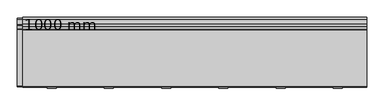
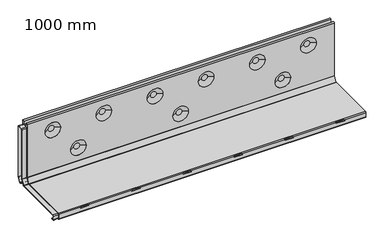
"""IFC4 building model written with IfcOpenShell, lengths in millimetres: proxy geometry, 1000 mm."""

from ifc_helpers import new_model, si_unit, frame, origin, place, context, project, spatial, polyline, circle_curve, outline, extrude, source, transform, mapped, element, save
from ifc_brep_helpers import plane_surface, cylinder_surface, revolved_surface, advanced_brep


def proxy_1000_mm_1e16b91c(model_context):
    return source(origin(), model_context, "Body", "SolidModel", [
        extrude(outline(polyline([(734.75, -77.0), (732.75, -77.0), (732.75, 68.9070718), (734.75, 68.9070718), (734.75, -77.0)])), frame((0.0, 0.0, -29.1940506), z_axis=(0.0, 0.0, 1.0), x_axis=(1.0, 0.0, 0.0)), (0.0, 0.0, 1.0), 10.1940506),
        extrude(outline(polyline([(766.75, -77.0), (764.75, -77.0), (764.75, 68.9070718), (766.75, 68.9070718), (766.75, -77.0)])), frame((0.0, 0.0, -29.1940506), z_axis=(0.0, 0.0, 1.0), x_axis=(1.0, 0.0, 0.0)), (0.0, 0.0, 1.0), 10.1940506),
        extrude(outline(polyline([(763.0, -103.0), (736.5, -103.0), (736.5, -95.5), (763.0, -95.5), (763.0, -103.0)])), frame((0.0, 0.0, -4.0065506), z_axis=(0.0, 0.0, 1.0), x_axis=(1.0, 0.0, 0.0)), (0.0, 0.0, 1.0), 2.1940506),
        extrude(outline(polyline([(568.25, -77.0), (566.25, -77.0), (566.25, 68.9070718), (568.25, 68.9070718), (568.25, -77.0)])), frame((0.0, 0.0, -29.1940506), z_axis=(0.0, 0.0, 1.0), x_axis=(1.0, 0.0, 0.0)), (0.0, 0.0, 1.0), 10.1940506),
        extrude(outline(polyline([(600.25, -77.0), (598.25, -77.0), (598.25, 68.9070718), (600.25, 68.9070718), (600.25, -77.0)])), frame((0.0, 0.0, -29.1940506), z_axis=(0.0, 0.0, 1.0), x_axis=(1.0, 0.0, 0.0)), (0.0, 0.0, 1.0), 10.1940506),
        extrude(outline(polyline([(596.5, -103.0), (570.0, -103.0), (570.0, -95.5), (596.5, -95.5), (596.5, -103.0)])), frame((0.0, 0.0, -4.0065506), z_axis=(0.0, 0.0, 1.0), x_axis=(1.0, 0.0, 0.0)), (0.0, 0.0, 1.0), 2.1940506),
        extrude(outline(polyline([(401.75, -77.0), (399.75, -77.0), (399.75, 68.9070718), (401.75, 68.9070718), (401.75, -77.0)])), frame((0.0, 0.0, -29.1940506), z_axis=(0.0, 0.0, 1.0), x_axis=(1.0, 0.0, 0.0)), (0.0, 0.0, 1.0), 10.1940506),
        extrude(outline(polyline([(433.75, -77.0), (431.75, -77.0), (431.75, 68.9070718), (433.75, 68.9070718), (433.75, -77.0)])), frame((0.0, 0.0, -29.1940506), z_axis=(0.0, 0.0, 1.0), x_axis=(1.0, 0.0, 0.0)), (0.0, 0.0, 1.0), 10.1940506),
        extrude(outline(polyline([(430.0, -103.0), (403.5, -103.0), (403.5, -95.5), (430.0, -95.5), (430.0, -103.0)])), frame((0.0, 0.0, -4.0065506), z_axis=(0.0, 0.0, 1.0), x_axis=(1.0, 0.0, 0.0)), (0.0, 0.0, 1.0), 2.1940506),
        extrude(outline(polyline([(235.25, -77.0), (233.25, -77.0), (233.25, 68.9070718), (235.25, 68.9070718), (235.25, -77.0)])), frame((0.0, 0.0, -29.1940506), z_axis=(0.0, 0.0, 1.0), x_axis=(1.0, 0.0, 0.0)), (0.0, 0.0, 1.0), 10.1940506),
        extrude(outline(polyline([(267.25, -77.0), (265.25, -77.0), (265.25, 68.9070718), (267.25, 68.9070718), (267.25, -77.0)])), frame((0.0, 0.0, -29.1940506), z_axis=(0.0, 0.0, 1.0), x_axis=(1.0, 0.0, 0.0)), (0.0, 0.0, 1.0), 10.1940506),
        extrude(outline(polyline([(263.5, -103.0), (237.0, -103.0), (237.0, -95.5), (263.5, -95.5), (263.5, -103.0)])), frame((0.0, 0.0, -4.0065506), z_axis=(0.0, 0.0, 1.0), x_axis=(1.0, 0.0, 0.0)), (0.0, 0.0, 1.0), 2.1940506),
        extrude(outline(polyline([(901.25, -77.0), (899.25, -77.0), (899.25, 68.9070718), (901.25, 68.9070718), (901.25, -77.0)])), frame((0.0, 0.0, -29.1940506), z_axis=(0.0, 0.0, 1.0), x_axis=(1.0, 0.0, 0.0)), (0.0, 0.0, 1.0), 10.1940506),
        extrude(outline(polyline([(933.25, -77.0), (931.25, -77.0), (931.25, 68.9070718), (933.25, 68.9070718), (933.25, -77.0)])), frame((0.0, 0.0, -29.1940506), z_axis=(0.0, 0.0, 1.0), x_axis=(1.0, 0.0, 0.0)), (0.0, 0.0, 1.0), 10.1940506),
        extrude(outline(polyline([(929.5, -103.0), (903.0, -103.0), (903.0, -95.5), (929.5, -95.5), (929.5, -103.0)])), frame((0.0, 0.0, -4.0065506), z_axis=(0.0, 0.0, 1.0), x_axis=(1.0, 0.0, 0.0)), (0.0, 0.0, 1.0), 2.1940506),
        extrude(outline(polyline([(68.75, -77.0), (66.75, -77.0), (66.75, 68.9070718), (68.75, 68.9070718), (68.75, -77.0)])), frame((0.0, 0.0, -29.1940506), z_axis=(0.0, 0.0, 1.0), x_axis=(1.0, 0.0, 0.0)), (0.0, 0.0, 1.0), 10.1940506),
        extrude(outline(polyline([(100.75, -77.0), (98.75, -77.0), (98.75, 68.9070718), (100.75, 68.9070718), (100.75, -77.0)])), frame((0.0, 0.0, -29.1940506), z_axis=(0.0, 0.0, 1.0), x_axis=(1.0, 0.0, 0.0)), (0.0, 0.0, 1.0), 10.1940506),
        extrude(outline(polyline([(97.0, -103.0), (70.5, -103.0), (70.5, -95.5), (97.0, -95.5), (97.0, -103.0)])), frame((0.0, 0.0, -4.0065506), z_axis=(0.0, 0.0, 1.0), x_axis=(1.0, 0.0, 0.0)), (0.0, 0.0, 1.0), 2.1940506),
        advanced_brep(
        [(0.0, -83.5, -20.5), (0.0, -97.0, -20.5), (0.0, -100.0, -17.5), (0.0, -100.0, -3.0), (0.0, -97.0, 0.0), (0.0, 66.7912991, 0.0), (0.0, 68.0563863, 0.6940506), (0.0, 77.7950872, 15.9807489), (0.0, 78.03, 16.7866983), (0.0, 78.03, 197.745), (0.0, 83.54, 197.745), (0.0, 83.54, 187.2976287), (0.0, 97.565, 187.2976287), (0.0, 97.565, 198.2430156), (0.0, 103.0, 198.2430156), (0.0, 103.0, 12.5524398), (0.0, 102.5301743, 10.940541), (0.0, 92.0563946, -6.5688039), (0.0, 92.0563946, -17.5), (0.0, 89.0563946, -20.5), (0.0, 75.0563946, -20.5), (0.0, 75.0563946, -19.0), (0.0, -83.5, -19.0), (1000.0, -83.5, -20.5), (1000.0, -83.5, -19.0), (1000.0, 75.0563946, -19.0), (1000.0, 75.0563946, -20.5), (1000.0, 89.0563946, -20.5), (1000.0, 92.0563946, -17.5), (1000.0, 92.0563946, -6.5688039), (1000.0, 102.5301743, 10.940541), (1000.0, 103.0, 12.5524398), (1000.0, 103.0, 198.2430156), (1000.0, 97.565, 198.2430156), (1000.0, 97.565, 187.2976287), (1000.0, 83.54, 187.2976287), (1000.0, 83.54, 197.745), (1000.0, 78.03, 197.745), (1000.0, 78.03, 16.7866983), (1000.0, 77.7950872, 15.9807489), (1000.0, 68.0563863, 0.6940506), (1000.0, 66.7912991, 0.0), (1000.0, -97.0, 0.0), (1000.0, -100.0, -3.0), (1000.0, -100.0, -17.5), (1000.0, -97.0, -20.5), (58.3771091, 103.0, 150.4470549), (109.1228909, 103.0, 150.4470549), (890.8771091, 103.0, 150.4470549), (941.6228909, 103.0, 150.4470549), (224.8771091, 103.0, 150.4470549), (275.6228909, 103.0, 150.4470549), (391.3771091, 103.0, 150.4470549), (442.1228909, 103.0, 150.4470549), (557.8771091, 103.0, 150.4470549), (608.6228909, 103.0, 150.4470549), (724.3771091, 103.0, 150.4470549), (775.1228909, 103.0, 150.4470549), (141.675992, 103.0, 60.4470549), (192.324008, 103.0, 60.4470549), (474.675992, 103.0, 60.4470549), (525.324008, 103.0, 60.4470549), (858.324008, 103.0, 60.4470549), (807.675992, 103.0, 60.4470549), (108.9518007, 78.03, 150.4470549), (58.5481993, 78.03, 150.4470549), (941.4518007, 78.03, 150.4470549), (891.0481993, 78.03, 150.4470549), (275.4518007, 78.03, 150.4470549), (225.0481993, 78.03, 150.4470549), (441.9518007, 78.03, 150.4470549), (391.5481993, 78.03, 150.4470549), (608.4518007, 78.03, 150.4470549), (558.0481993, 78.03, 150.4470549), (774.9518007, 78.03, 150.4470549), (724.5481993, 78.03, 150.4470549), (192.2506836, 78.03, 60.4470549), (141.7493164, 78.03, 60.4470549), (525.2506836, 78.03, 60.4470549), (474.7493164, 78.03, 60.4470549), (807.7493164, 78.03, 60.4470549), (858.2506836, 78.03, 60.4470549), (74.1699511, 87.6172432, 150.4470549), (93.3300489, 87.6172432, 150.4470549), (906.6699511, 87.6172432, 150.4470549), (925.8300489, 87.6172432, 150.4470549), (240.6699511, 87.6172432, 150.4470549), (259.8300489, 87.6172432, 150.4470549), (407.1699511, 87.6172432, 150.4470549), (426.3300489, 87.6172432, 150.4470549), (573.6699511, 87.6172432, 150.4470549), (592.8300489, 87.6172432, 150.4470549), (740.1699511, 87.6172432, 150.4470549), (759.3300489, 87.6172432, 150.4470549), (74.1699511, 93.3077568, 150.4470549), (93.3300489, 93.3077568, 150.4470549), (906.6699511, 93.3077568, 150.4470549), (925.8300489, 93.3077568, 150.4470549), (240.6699511, 93.3077568, 150.4470549), (259.8300489, 93.3077568, 150.4470549), (407.1699511, 93.3077568, 150.4470549), (426.3300489, 93.3077568, 150.4470549), (573.6699511, 93.3077568, 150.4470549), (592.8300489, 93.3077568, 150.4470549), (740.1699511, 93.3077568, 150.4470549), (759.3300489, 93.3077568, 150.4470549), (157.4199511, 87.6472432, 60.4470549), (176.5800489, 87.6472432, 60.4470549), (157.4199511, 93.3377568, 60.4470549), (176.5800489, 93.3377568, 60.4470549), (490.4199511, 87.6472432, 60.4470549), (509.5800489, 87.6472432, 60.4470549), (490.4199511, 93.3377568, 60.4470549), (509.5800489, 93.3377568, 60.4470549), (823.4199511, 87.6472432, 60.4470549), (842.5800489, 87.6472432, 60.4470549), (823.4199511, 93.3377568, 60.4470549), (842.5800489, 93.3377568, 60.4470549)],
        [
            (0, 1),
            (1, 2, circle_curve(frame((0.0, -97.0, -17.5), z_axis=(-1.0, 0.0, 0.0), x_axis=(0.0, 1.0, 0.0)), 3.0)),
            (2, 3),
            (3, 4, circle_curve(frame((0.0, -97.0, -3.0), z_axis=(-1.0, 0.0, 0.0), x_axis=(0.0, 1.0, 0.0)), 3.0)),
            (4, 5),
            (5, 6, circle_curve(frame((0.0, 66.7912991, 1.5), z_axis=(1.0, 0.0, 0.0), x_axis=(0.0, 1.0, 0.0)), 1.5)),
            (6, 7),
            (7, 8, circle_curve(frame((0.0, 76.53, 16.7866983), z_axis=(1.0, 0.0, 0.0), x_axis=(0.0, 1.0, 0.0)), 1.5)),
            (8, 9),
            (9, 10, circle_curve(frame((0.0, 80.785, 197.745), z_axis=(-1.0, 0.0, 0.0), x_axis=(0.0, 1.0, 0.0)), 2.755)),
            (10, 11),
            (11, 12),
            (12, 13),
            (13, 14, circle_curve(frame((0.0, 100.2825, 198.2430156), z_axis=(-1.0, 0.0, 0.0), x_axis=(0.0, 1.0, 0.0)), 2.7175)),
            (14, 15),
            (15, 16, circle_curve(frame((0.0, 100.0, 12.5524398), z_axis=(-1.0, 0.0, 0.0), x_axis=(0.0, 1.0, 0.0)), 3.0)),
            (16, 17),
            (17, 18),
            (18, 19, circle_curve(frame((0.0, 89.0563946, -17.5), z_axis=(-1.0, 0.0, 0.0), x_axis=(0.0, 1.0, 0.0)), 3.0)),
            (19, 20),
            (20, 21),
            (21, 22),
            (22, 0),
            (23, 24),
            (24, 25),
            (25, 26),
            (26, 27),
            (27, 28, circle_curve(frame((1000.0, 89.0563946, -17.5), z_axis=(1.0, 0.0, 0.0), x_axis=(0.0, 1.0, 0.0)), 3.0)),
            (28, 29),
            (29, 30),
            (30, 31, circle_curve(frame((1000.0, 100.0, 12.5524398), z_axis=(1.0, 0.0, 0.0), x_axis=(0.0, 1.0, 0.0)), 3.0)),
            (31, 32),
            (32, 33, circle_curve(frame((1000.0, 100.2825, 198.2430156), z_axis=(1.0, 0.0, 0.0), x_axis=(0.0, 1.0, 0.0)), 2.7175)),
            (33, 34),
            (34, 35),
            (35, 36),
            (36, 37, circle_curve(frame((1000.0, 80.785, 197.745), z_axis=(1.0, 0.0, 0.0), x_axis=(0.0, 1.0, 0.0)), 2.755)),
            (37, 38),
            (38, 39, circle_curve(frame((1000.0, 76.53, 16.7866983), z_axis=(-1.0, 0.0, 0.0), x_axis=(0.0, 1.0, 0.0)), 1.5)),
            (39, 40),
            (40, 41, circle_curve(frame((1000.0, 66.7912991, 1.5), z_axis=(-1.0, 0.0, 0.0), x_axis=(0.0, 1.0, 0.0)), 1.5)),
            (41, 42),
            (42, 43, circle_curve(frame((1000.0, -97.0, -3.0), z_axis=(1.0, 0.0, 0.0), x_axis=(0.0, 1.0, 0.0)), 3.0)),
            (43, 44),
            (44, 45, circle_curve(frame((1000.0, -97.0, -17.5), z_axis=(1.0, 0.0, 0.0), x_axis=(0.0, 1.0, 0.0)), 3.0)),
            (45, 23),
            (20, 26),
            (25, 21),
            (19, 27),
            (18, 28),
            (17, 29),
            (16, 30),
            (15, 31),
            (14, 32),
            (46, 47, circle_curve(frame((83.75, 103.0, 150.4470549), z_axis=(0.0, -1.0, 0.0), x_axis=(1.0, 0.0, 0.0)), 25.3728909)),
            (47, 46, circle_curve(frame((83.75, 103.0, 150.4470549), z_axis=(0.0, -1.0, 0.0), x_axis=(-1.0, 0.0, 0.0)), 25.3728909)),
            (48, 49, circle_curve(frame((916.25, 103.0, 150.4470549), z_axis=(0.0, -1.0, 0.0), x_axis=(1.0, 0.0, 0.0)), 25.3728909)),
            (49, 48, circle_curve(frame((916.25, 103.0, 150.4470549), z_axis=(0.0, -1.0, 0.0), x_axis=(-1.0, 0.0, 0.0)), 25.3728909)),
            (50, 51, circle_curve(frame((250.25, 103.0, 150.4470549), z_axis=(0.0, -1.0, 0.0), x_axis=(1.0, 0.0, 0.0)), 25.3728909)),
            (51, 50, circle_curve(frame((250.25, 103.0, 150.4470549), z_axis=(0.0, -1.0, 0.0), x_axis=(-1.0, 0.0, 0.0)), 25.3728909)),
            (52, 53, circle_curve(frame((416.75, 103.0, 150.4470549), z_axis=(0.0, -1.0, 0.0), x_axis=(1.0, 0.0, 0.0)), 25.3728909)),
            (53, 52, circle_curve(frame((416.75, 103.0, 150.4470549), z_axis=(0.0, -1.0, 0.0), x_axis=(-1.0, 0.0, 0.0)), 25.3728909)),
            (54, 55, circle_curve(frame((583.25, 103.0, 150.4470549), z_axis=(0.0, -1.0, 0.0), x_axis=(1.0, 0.0, 0.0)), 25.3728909)),
            (55, 54, circle_curve(frame((583.25, 103.0, 150.4470549), z_axis=(0.0, -1.0, 0.0), x_axis=(-1.0, 0.0, 0.0)), 25.3728909)),
            (56, 57, circle_curve(frame((749.75, 103.0, 150.4470549), z_axis=(0.0, -1.0, 0.0), x_axis=(1.0, 0.0, 0.0)), 25.3728909)),
            (57, 56, circle_curve(frame((749.75, 103.0, 150.4470549), z_axis=(0.0, -1.0, 0.0), x_axis=(-1.0, 0.0, 0.0)), 25.3728909)),
            (58, 59, circle_curve(frame((167.0, 103.0, 60.4470549), z_axis=(0.0, -1.0, 0.0), x_axis=(1.0, 0.0, 0.0)), 25.324008)),
            (59, 58, circle_curve(frame((167.0, 103.0, 60.4470549), z_axis=(0.0, -1.0, 0.0), x_axis=(-1.0, 0.0, 0.0)), 25.324008)),
            (60, 61, circle_curve(frame((500.0, 103.0, 60.4470549), z_axis=(0.0, -1.0, 0.0), x_axis=(1.0, 0.0, 0.0)), 25.324008)),
            (61, 60, circle_curve(frame((500.0, 103.0, 60.4470549), z_axis=(0.0, -1.0, 0.0), x_axis=(-1.0, 0.0, 0.0)), 25.324008)),
            (62, 63, circle_curve(frame((833.0, 103.0, 60.4470549), z_axis=(0.0, -1.0, 0.0), x_axis=(-1.0, 0.0, 0.0)), 25.324008)),
            (63, 62, circle_curve(frame((833.0, 103.0, 60.4470549), z_axis=(0.0, -1.0, 0.0), x_axis=(1.0, 0.0, 0.0)), 25.324008)),
            (13, 33),
            (12, 34),
            (11, 35),
            (8, 38),
            (37, 9),
            (64, 65, circle_curve(frame((83.75, 78.03, 150.4470549), z_axis=(0.0, 1.0, 0.0), x_axis=(-1.0, 0.0, 0.0)), 25.2018007)),
            (65, 64, circle_curve(frame((83.75, 78.03, 150.4470549), z_axis=(0.0, 1.0, 0.0), x_axis=(1.0, 0.0, 0.0)), 25.2018007)),
            (66, 67, circle_curve(frame((916.25, 78.03, 150.4470549), z_axis=(0.0, 1.0, 0.0), x_axis=(-1.0, 0.0, 0.0)), 25.2018007)),
            (67, 66, circle_curve(frame((916.25, 78.03, 150.4470549), z_axis=(0.0, 1.0, 0.0), x_axis=(1.0, 0.0, 0.0)), 25.2018007)),
            (68, 69, circle_curve(frame((250.25, 78.03, 150.4470549), z_axis=(0.0, 1.0, 0.0), x_axis=(-1.0, 0.0, 0.0)), 25.2018007)),
            (69, 68, circle_curve(frame((250.25, 78.03, 150.4470549), z_axis=(0.0, 1.0, 0.0), x_axis=(1.0, 0.0, 0.0)), 25.2018007)),
            (70, 71, circle_curve(frame((416.75, 78.03, 150.4470549), z_axis=(0.0, 1.0, 0.0), x_axis=(-1.0, 0.0, 0.0)), 25.2018007)),
            (71, 70, circle_curve(frame((416.75, 78.03, 150.4470549), z_axis=(0.0, 1.0, 0.0), x_axis=(1.0, 0.0, 0.0)), 25.2018007)),
            (72, 73, circle_curve(frame((583.25, 78.03, 150.4470549), z_axis=(0.0, 1.0, 0.0), x_axis=(-1.0, 0.0, 0.0)), 25.2018007)),
            (73, 72, circle_curve(frame((583.25, 78.03, 150.4470549), z_axis=(0.0, 1.0, 0.0), x_axis=(1.0, 0.0, 0.0)), 25.2018007)),
            (74, 75, circle_curve(frame((749.75, 78.03, 150.4470549), z_axis=(0.0, 1.0, 0.0), x_axis=(-1.0, 0.0, 0.0)), 25.2018007)),
            (75, 74, circle_curve(frame((749.75, 78.03, 150.4470549), z_axis=(0.0, 1.0, 0.0), x_axis=(1.0, 0.0, 0.0)), 25.2018007)),
            (76, 77, circle_curve(frame((167.0, 78.03, 60.4470549), z_axis=(0.0, 1.0, 0.0), x_axis=(-1.0, 0.0, 0.0)), 25.2506836)),
            (77, 76, circle_curve(frame((167.0, 78.03, 60.4470549), z_axis=(0.0, 1.0, 0.0), x_axis=(1.0, 0.0, 0.0)), 25.2506836)),
            (78, 79, circle_curve(frame((500.0, 78.03, 60.4470549), z_axis=(0.0, 1.0, 0.0), x_axis=(-1.0, 0.0, 0.0)), 25.2506836)),
            (79, 78, circle_curve(frame((500.0, 78.03, 60.4470549), z_axis=(0.0, 1.0, 0.0), x_axis=(1.0, 0.0, 0.0)), 25.2506836)),
            (80, 81, circle_curve(frame((833.0, 78.03, 60.4470549), z_axis=(0.0, 1.0, 0.0), x_axis=(1.0, 0.0, 0.0)), 25.2506836)),
            (81, 80, circle_curve(frame((833.0, 78.03, 60.4470549), z_axis=(0.0, 1.0, 0.0), x_axis=(-1.0, 0.0, 0.0)), 25.2506836)),
            (7, 39),
            (6, 40),
            (5, 41),
            (4, 42),
            (3, 43),
            (2, 44),
            (1, 45),
            (0, 23),
            (22, 24),
            (82, 83, circle_curve(frame((83.75, 87.6172432, 150.4470549), z_axis=(0.0, -1.0, 0.0), x_axis=(-1.0, 0.0, 0.0)), 9.5800489)),
            (83, 82, circle_curve(frame((83.75, 87.6172432, 150.4470549), z_axis=(0.0, -1.0, 0.0), x_axis=(1.0, 0.0, 0.0)), 9.5800489)),
            (82, 65),
            (64, 83),
            (84, 85, circle_curve(frame((916.25, 87.6172432, 150.4470549), z_axis=(0.0, -1.0, 0.0), x_axis=(-1.0, 0.0, 0.0)), 9.5800489)),
            (85, 84, circle_curve(frame((916.25, 87.6172432, 150.4470549), z_axis=(0.0, -1.0, 0.0), x_axis=(1.0, 0.0, 0.0)), 9.5800489)),
            (84, 67),
            (66, 85),
            (86, 87, circle_curve(frame((250.25, 87.6172432, 150.4470549), z_axis=(0.0, -1.0, 0.0), x_axis=(-1.0, 0.0, 0.0)), 9.5800489)),
            (87, 86, circle_curve(frame((250.25, 87.6172432, 150.4470549), z_axis=(0.0, -1.0, 0.0), x_axis=(1.0, 0.0, 0.0)), 9.5800489)),
            (86, 69),
            (68, 87),
            (88, 89, circle_curve(frame((416.75, 87.6172432, 150.4470549), z_axis=(0.0, -1.0, 0.0), x_axis=(-1.0, 0.0, 0.0)), 9.5800489)),
            (89, 88, circle_curve(frame((416.75, 87.6172432, 150.4470549), z_axis=(0.0, -1.0, 0.0), x_axis=(1.0, 0.0, 0.0)), 9.5800489)),
            (88, 71),
            (70, 89),
            (90, 91, circle_curve(frame((583.25, 87.6172432, 150.4470549), z_axis=(0.0, -1.0, 0.0), x_axis=(-1.0, 0.0, 0.0)), 9.5800489)),
            (91, 90, circle_curve(frame((583.25, 87.6172432, 150.4470549), z_axis=(0.0, -1.0, 0.0), x_axis=(1.0, 0.0, 0.0)), 9.5800489)),
            (90, 73),
            (72, 91),
            (92, 93, circle_curve(frame((749.75, 87.6172432, 150.4470549), z_axis=(0.0, -1.0, 0.0), x_axis=(-1.0, 0.0, 0.0)), 9.5800489)),
            (93, 92, circle_curve(frame((749.75, 87.6172432, 150.4470549), z_axis=(0.0, -1.0, 0.0), x_axis=(1.0, 0.0, 0.0)), 9.5800489)),
            (92, 75),
            (74, 93),
            (94, 95, circle_curve(frame((83.75, 93.3077568, 150.4470549), z_axis=(0.0, 1.0, 0.0), x_axis=(-1.0, 0.0, 0.0)), 9.5800489)),
            (95, 94, circle_curve(frame((83.75, 93.3077568, 150.4470549), z_axis=(0.0, 1.0, 0.0), x_axis=(1.0, 0.0, 0.0)), 9.5800489)),
            (95, 47),
            (46, 94),
            (96, 97, circle_curve(frame((916.25, 93.3077568, 150.4470549), z_axis=(0.0, 1.0, 0.0), x_axis=(-1.0, 0.0, 0.0)), 9.5800489)),
            (97, 96, circle_curve(frame((916.25, 93.3077568, 150.4470549), z_axis=(0.0, 1.0, 0.0), x_axis=(1.0, 0.0, 0.0)), 9.5800489)),
            (97, 49),
            (48, 96),
            (98, 99, circle_curve(frame((250.25, 93.3077568, 150.4470549), z_axis=(0.0, 1.0, 0.0), x_axis=(-1.0, 0.0, 0.0)), 9.5800489)),
            (99, 98, circle_curve(frame((250.25, 93.3077568, 150.4470549), z_axis=(0.0, 1.0, 0.0), x_axis=(1.0, 0.0, 0.0)), 9.5800489)),
            (99, 51),
            (50, 98),
            (100, 101, circle_curve(frame((416.75, 93.3077568, 150.4470549), z_axis=(0.0, 1.0, 0.0), x_axis=(-1.0, 0.0, 0.0)), 9.5800489)),
            (101, 100, circle_curve(frame((416.75, 93.3077568, 150.4470549), z_axis=(0.0, 1.0, 0.0), x_axis=(1.0, 0.0, 0.0)), 9.5800489)),
            (101, 53),
            (52, 100),
            (102, 103, circle_curve(frame((583.25, 93.3077568, 150.4470549), z_axis=(0.0, 1.0, 0.0), x_axis=(-1.0, 0.0, 0.0)), 9.5800489)),
            (103, 102, circle_curve(frame((583.25, 93.3077568, 150.4470549), z_axis=(0.0, 1.0, 0.0), x_axis=(1.0, 0.0, 0.0)), 9.5800489)),
            (103, 55),
            (54, 102),
            (104, 105, circle_curve(frame((749.75, 93.3077568, 150.4470549), z_axis=(0.0, 1.0, 0.0), x_axis=(-1.0, 0.0, 0.0)), 9.5800489)),
            (105, 104, circle_curve(frame((749.75, 93.3077568, 150.4470549), z_axis=(0.0, 1.0, 0.0), x_axis=(1.0, 0.0, 0.0)), 9.5800489)),
            (105, 57),
            (56, 104),
            (10, 36),
            (106, 107, circle_curve(frame((167.0, 87.6472432, 60.4470549), z_axis=(0.0, -1.0, 0.0), x_axis=(-1.0, 0.0, 0.0)), 9.5800489)),
            (107, 106, circle_curve(frame((167.0, 87.6472432, 60.4470549), z_axis=(0.0, -1.0, 0.0), x_axis=(1.0, 0.0, 0.0)), 9.5800489)),
            (106, 77),
            (76, 107),
            (108, 109, circle_curve(frame((167.0, 93.3377568, 60.4470549), z_axis=(0.0, 1.0, 0.0), x_axis=(-1.0, 0.0, 0.0)), 9.5800489)),
            (109, 108, circle_curve(frame((167.0, 93.3377568, 60.4470549), z_axis=(0.0, 1.0, 0.0), x_axis=(1.0, 0.0, 0.0)), 9.5800489)),
            (109, 59),
            (58, 108),
            (110, 111, circle_curve(frame((500.0, 87.6472432, 60.4470549), z_axis=(0.0, -1.0, 0.0), x_axis=(-1.0, 0.0, 0.0)), 9.5800489)),
            (111, 110, circle_curve(frame((500.0, 87.6472432, 60.4470549), z_axis=(0.0, -1.0, 0.0), x_axis=(1.0, 0.0, 0.0)), 9.5800489)),
            (110, 79),
            (78, 111),
            (112, 113, circle_curve(frame((500.0, 93.3377568, 60.4470549), z_axis=(0.0, 1.0, 0.0), x_axis=(-1.0, 0.0, 0.0)), 9.5800489)),
            (113, 112, circle_curve(frame((500.0, 93.3377568, 60.4470549), z_axis=(0.0, 1.0, 0.0), x_axis=(1.0, 0.0, 0.0)), 9.5800489)),
            (113, 61),
            (60, 112),
            (114, 115, circle_curve(frame((833.0, 87.6472432, 60.4470549), z_axis=(0.0, -1.0, 0.0), x_axis=(-1.0, 0.0, 0.0)), 9.5800489)),
            (115, 114, circle_curve(frame((833.0, 87.6472432, 60.4470549), z_axis=(0.0, -1.0, 0.0), x_axis=(1.0, 0.0, 0.0)), 9.5800489)),
            (115, 81),
            (80, 114),
            (116, 117, circle_curve(frame((833.0, 93.3377568, 60.4470549), z_axis=(0.0, 1.0, 0.0), x_axis=(-1.0, 0.0, 0.0)), 9.5800489)),
            (117, 116, circle_curve(frame((833.0, 93.3377568, 60.4470549), z_axis=(0.0, 1.0, 0.0), x_axis=(1.0, 0.0, 0.0)), 9.5800489)),
            (116, 63),
            (62, 117),
        ],
        [
            plane_surface(frame((0.0, -83.5, -20.5), z_axis=(-1.0, 0.0, 0.0), x_axis=(0.0, 0.0, -1.0))),
            plane_surface(frame((1000.0, -83.5, -20.5), z_axis=(1.0, 0.0, 0.0), x_axis=(0.0, 0.0, 1.0))),
            plane_surface(frame((1000.0, 75.0563946, -19.0), z_axis=(0.0, -1.0, 0.0), x_axis=(-1.0, 0.0, 0.0))),
            plane_surface(frame((1000.0, 75.0563946, -20.5), z_axis=(0.0, 0.0, -1.0), x_axis=(-1.0, 0.0, 0.0))),
            cylinder_surface(frame((0.0, 89.0563946, -17.5), z_axis=(1.0, 0.0, 0.0), x_axis=(0.0, 1.0, 0.0)), 3.0),
            plane_surface(frame((1000.0, 92.0563946, -17.5), z_axis=(0.0, 1.0, 0.0), x_axis=(-1.0, 0.0, 0.0))),
            plane_surface(frame((1000.0, 92.0563946, -6.5688039), z_axis=(0.0, 0.8581803656791377, -0.5133482832958746), x_axis=(-1.0, 0.0, 0.0))),
            cylinder_surface(frame((0.0, 100.0, 12.5524398), z_axis=(1.0, 0.0, 0.0), x_axis=(0.0, 1.0, 0.0)), 3.0),
            plane_surface(frame((1000.0, 103.0, 12.5524398), z_axis=(0.0, 1.0, 0.0), x_axis=(-1.0, 0.0, 0.0))),
            cylinder_surface(frame((0.0, 100.2825, 198.2430156), z_axis=(1.0, 0.0, 0.0), x_axis=(0.0, 1.0, 0.0)), 2.7175),
            plane_surface(frame((1000.0, 97.565, 198.2430156), z_axis=(0.0, -1.0, 0.0), x_axis=(-1.0, 0.0, 0.0))),
            plane_surface(frame((1000.0, 97.565, 187.2976287), z_axis=(0.0, 0.0, 1.0), x_axis=(-1.0, 0.0, 0.0))),
            plane_surface(frame((1000.0, 78.03, 197.745), z_axis=(0.0, -1.0, 0.0), x_axis=(-1.0, 0.0, 0.0))),
            revolved_surface(polyline([(0.0, 78.03, 16.7866983), (1000.0, 78.03, 16.7866983)]), (0.0, 76.53, 16.7866983), (-1.0, 0.0, 0.0)),
            plane_surface(frame((1000.0, 77.7950872, 15.9807489), z_axis=(0.0, -0.8433914458128857, 0.5372996083468239), x_axis=(-1.0, 0.0, 0.0))),
            revolved_surface(polyline([(0.0, 68.2912991, 1.5), (1000.0, 68.2912991, 1.5)]), (0.0, 66.7912991, 1.5), (-1.0, 0.0, 0.0)),
            plane_surface(frame((1000.0, 66.7912991, 0.0), z_axis=(0.0, 0.0, 1.0), x_axis=(-1.0, 0.0, 0.0))),
            cylinder_surface(frame((0.0, -97.0, -3.0), z_axis=(1.0, 0.0, 0.0), x_axis=(0.0, 1.0, 0.0)), 3.0),
            plane_surface(frame((1000.0, -100.0, -3.0), z_axis=(0.0, -1.0, 0.0), x_axis=(-1.0, 0.0, 0.0))),
            cylinder_surface(frame((0.0, -97.0, -17.5), z_axis=(1.0, 0.0, 0.0), x_axis=(0.0, 1.0, 0.0)), 3.0),
            plane_surface(frame((1000.0, -97.0, -20.5), z_axis=(0.0, 0.0, -1.0), x_axis=(-1.0, 0.0, 0.0))),
            plane_surface(frame((1000.0, -83.5, -20.5), z_axis=(0.0, 1.0, 0.0), x_axis=(-1.0, 0.0, 0.0))),
            plane_surface(frame((1000.0, -83.5, -19.0), z_axis=(0.0, 0.0, -1.0), x_axis=(-1.0, 0.0, 0.0))),
            plane_surface(frame((83.75, 87.6172432, 150.4470549), z_axis=(0.0, -1.0, 0.0), x_axis=(0.0, 0.0, -1.0))),
            revolved_surface(polyline([(58.5481993, 78.03, 150.4470549), (74.16995108922865, 87.6172432, 150.4470549)]), (83.75, 93.496626, 150.4470549), (0.0, -1.0, 0.0)),
            revolved_surface(polyline([(108.9518007, 78.03, 150.4470549), (93.33004891077135, 87.6172432, 150.4470549)]), (83.75, 93.496626, 150.4470549), (0.0, -1.0, 0.0)),
            plane_surface(frame((916.25, 87.6172432, 150.4470549), z_axis=(0.0, -1.0, 0.0), x_axis=(0.0, 0.0, -1.0))),
            revolved_surface(polyline([(891.0481993, 78.03, 150.4470549), (906.6699510892287, 87.6172432, 150.4470549)]), (916.25, 93.496626, 150.4470549), (0.0, -1.0, 0.0)),
            revolved_surface(polyline([(941.4518007, 78.03, 150.4470549), (925.8300489107713, 87.6172432, 150.4470549)]), (916.25, 93.496626, 150.4470549), (0.0, -1.0, 0.0)),
            plane_surface(frame((250.25, 87.6172432, 150.4470549), z_axis=(0.0, -1.0, 0.0), x_axis=(0.0, 0.0, -1.0))),
            revolved_surface(polyline([(225.0481993, 78.03, 150.4470549), (240.66995108922865, 87.6172432, 150.4470549)]), (250.25, 93.496626, 150.4470549), (0.0, -1.0, 0.0)),
            revolved_surface(polyline([(275.4518007, 78.03, 150.4470549), (259.8300489107713, 87.6172432, 150.4470549)]), (250.25, 93.496626, 150.4470549), (0.0, -1.0, 0.0)),
            plane_surface(frame((416.75, 87.6172432, 150.4470549), z_axis=(0.0, -1.0, 0.0), x_axis=(0.0, 0.0, -1.0))),
            revolved_surface(polyline([(391.5481993, 78.03, 150.4470549), (407.1699510892287, 87.6172432, 150.4470549)]), (416.75, 93.496626, 150.4470549), (0.0, -1.0, 0.0)),
            revolved_surface(polyline([(441.9518007, 78.03, 150.4470549), (426.3300489107713, 87.6172432, 150.4470549)]), (416.75, 93.496626, 150.4470549), (0.0, -1.0, 0.0)),
            plane_surface(frame((583.25, 87.6172432, 150.4470549), z_axis=(0.0, -1.0, 0.0), x_axis=(0.0, 0.0, -1.0))),
            revolved_surface(polyline([(558.0481993, 78.03, 150.4470549), (573.6699510892287, 87.6172432, 150.4470549)]), (583.25, 93.496626, 150.4470549), (0.0, -1.0, 0.0)),
            revolved_surface(polyline([(608.4518007, 78.03, 150.4470549), (592.8300489107713, 87.6172432, 150.4470549)]), (583.25, 93.496626, 150.4470549), (0.0, -1.0, 0.0)),
            plane_surface(frame((749.75, 87.6172432, 150.4470549), z_axis=(0.0, -1.0, 0.0), x_axis=(0.0, 0.0, -1.0))),
            revolved_surface(polyline([(724.5481993, 78.03, 150.4470549), (740.1699510892287, 87.6172432, 150.4470549)]), (749.75, 93.496626, 150.4470549), (0.0, -1.0, 0.0)),
            revolved_surface(polyline([(774.9518007, 78.03, 150.4470549), (759.3300489107713, 87.6172432, 150.4470549)]), (749.75, 93.496626, 150.4470549), (0.0, -1.0, 0.0)),
            plane_surface(frame((83.75, 93.3077568, 150.4470549), z_axis=(0.0, 1.0, 0.0), x_axis=(0.0, 0.0, 1.0))),
            revolved_surface(polyline([(109.1228909, 103.0, 150.4470549), (93.330048887877, 93.3077568, 150.4470549)]), (83.75, 87.428374, 150.4470549), (0.0, 1.0, 0.0)),
            revolved_surface(polyline([(58.3771091, 103.0, 150.4470549), (74.169951112123, 93.3077568, 150.4470549)]), (83.75, 87.428374, 150.4470549), (0.0, 1.0, 0.0)),
            plane_surface(frame((916.25, 93.3077568, 150.4470549), z_axis=(0.0, 1.0, 0.0), x_axis=(0.0, 0.0, 1.0))),
            revolved_surface(polyline([(941.6228909, 103.0, 150.4470549), (925.830048887877, 93.3077568, 150.4470549)]), (916.25, 87.428374, 150.4470549), (0.0, 1.0, 0.0)),
            revolved_surface(polyline([(890.8771091, 103.0, 150.4470549), (906.669951112123, 93.3077568, 150.4470549)]), (916.25, 87.428374, 150.4470549), (0.0, 1.0, 0.0)),
            plane_surface(frame((250.25, 93.3077568, 150.4470549), z_axis=(0.0, 1.0, 0.0), x_axis=(0.0, 0.0, 1.0))),
            revolved_surface(polyline([(275.6228909, 103.0, 150.4470549), (259.830048887877, 93.3077568, 150.4470549)]), (250.25, 87.428374, 150.4470549), (0.0, 1.0, 0.0)),
            revolved_surface(polyline([(224.8771091, 103.0, 150.4470549), (240.669951112123, 93.3077568, 150.4470549)]), (250.25, 87.428374, 150.4470549), (0.0, 1.0, 0.0)),
            plane_surface(frame((416.75, 93.3077568, 150.4470549), z_axis=(0.0, 1.0, 0.0), x_axis=(0.0, 0.0, 1.0))),
            revolved_surface(polyline([(442.1228909, 103.0, 150.4470549), (426.330048887877, 93.3077568, 150.4470549)]), (416.75, 87.428374, 150.4470549), (0.0, 1.0, 0.0)),
            revolved_surface(polyline([(391.3771091, 103.0, 150.4470549), (407.169951112123, 93.3077568, 150.4470549)]), (416.75, 87.428374, 150.4470549), (0.0, 1.0, 0.0)),
            plane_surface(frame((583.25, 93.3077568, 150.4470549), z_axis=(0.0, 1.0, 0.0), x_axis=(0.0, 0.0, 1.0))),
            revolved_surface(polyline([(608.6228909, 103.0, 150.4470549), (592.830048887877, 93.3077568, 150.4470549)]), (583.25, 87.428374, 150.4470549), (0.0, 1.0, 0.0)),
            revolved_surface(polyline([(557.8771091, 103.0, 150.4470549), (573.669951112123, 93.3077568, 150.4470549)]), (583.25, 87.428374, 150.4470549), (0.0, 1.0, 0.0)),
            plane_surface(frame((749.75, 93.3077568, 150.4470549), z_axis=(0.0, 1.0, 0.0), x_axis=(0.0, 0.0, 1.0))),
            revolved_surface(polyline([(775.1228909, 103.0, 150.4470549), (759.330048887877, 93.3077568, 150.4470549)]), (749.75, 87.428374, 150.4470549), (0.0, 1.0, 0.0)),
            revolved_surface(polyline([(724.3771091, 103.0, 150.4470549), (740.169951112123, 93.3077568, 150.4470549)]), (749.75, 87.428374, 150.4470549), (0.0, 1.0, 0.0)),
            plane_surface(frame((1000.0, 83.54, 187.2976287), z_axis=(0.0, 1.0, 0.0), x_axis=(-1.0, 0.0, 0.0))),
            cylinder_surface(frame((0.0, 80.785, 197.745), z_axis=(1.0, 0.0, 0.0), x_axis=(0.0, 1.0, 0.0)), 2.755),
            plane_surface(frame((167.0, 87.6472432, 60.4470549), z_axis=(0.0, -1.0, 0.0), x_axis=(0.0, 0.0, -1.0))),
            revolved_surface(polyline([(141.7493164, 78.03, 60.4470549), (157.41995110122153, 87.6472432, 60.4470549)]), (167.0, 93.526626, 60.4470549), (0.0, -1.0, 0.0)),
            revolved_surface(polyline([(192.2506836, 78.03, 60.4470549), (176.58004889877847, 87.6472432, 60.4470549)]), (167.0, 93.526626, 60.4470549), (0.0, -1.0, 0.0)),
            plane_surface(frame((167.0, 93.3377568, 60.4470549), z_axis=(0.0, 1.0, 0.0), x_axis=(0.0, 0.0, 1.0))),
            revolved_surface(polyline([(192.324008, 103.0, 60.4470549), (176.58004889979094, 93.3377568, 60.4470549)]), (167.0, 87.458374, 60.4470549), (0.0, 1.0, 0.0)),
            revolved_surface(polyline([(141.675992, 103.0, 60.4470549), (157.41995110020906, 93.3377568, 60.4470549)]), (167.0, 87.458374, 60.4470549), (0.0, 1.0, 0.0)),
            plane_surface(frame((500.0, 87.6472432, 60.4470549), z_axis=(0.0, -1.0, 0.0), x_axis=(0.0, 0.0, -1.0))),
            revolved_surface(polyline([(474.7493164, 78.03, 60.4470549), (490.4199511012215, 87.6472432, 60.4470549)]), (500.0, 93.526626, 60.4470549), (0.0, -1.0, 0.0)),
            revolved_surface(polyline([(525.2506836, 78.03, 60.4470549), (509.5800488987785, 87.6472432, 60.4470549)]), (500.0, 93.526626, 60.4470549), (0.0, -1.0, 0.0)),
            plane_surface(frame((500.0, 93.3377568, 60.4470549), z_axis=(0.0, 1.0, 0.0), x_axis=(0.0, 0.0, 1.0))),
            revolved_surface(polyline([(525.324008, 103.0, 60.4470549), (509.58004889979094, 93.3377568, 60.4470549)]), (500.0, 87.458374, 60.4470549), (0.0, 1.0, 0.0)),
            revolved_surface(polyline([(474.675992, 103.0, 60.4470549), (490.41995110020906, 93.3377568, 60.4470549)]), (500.0, 87.458374, 60.4470549), (0.0, 1.0, 0.0)),
            plane_surface(frame((833.0, 87.6472432, 60.4470549), z_axis=(0.0, -1.0, 0.0), x_axis=(0.0, 0.0, -1.0))),
            revolved_surface(polyline([(858.2506836, 78.03, 60.4470549), (842.5800488987785, 87.6472432, 60.4470549)]), (833.0, 93.526626, 60.4470549), (0.0, -1.0, 0.0)),
            revolved_surface(polyline([(807.7493164, 78.03, 60.4470549), (823.4199511012215, 87.6472432, 60.4470549)]), (833.0, 93.526626, 60.4470549), (0.0, -1.0, 0.0)),
            plane_surface(frame((833.0, 93.3377568, 60.4470549), z_axis=(0.0, 1.0, 0.0), x_axis=(0.0, 0.0, 1.0))),
            revolved_surface(polyline([(807.675992, 103.0, 60.4470549), (823.419951100209, 93.3377568, 60.4470549)]), (833.0, 87.458374, 60.4470549), (0.0, 1.0, 0.0)),
            revolved_surface(polyline([(858.324008, 103.0, 60.4470549), (842.580048899791, 93.3377568, 60.4470549)]), (833.0, 87.458374, 60.4470549), (0.0, 1.0, 0.0)),
        ],
        [
            (0, [[1, 2, 3, 4, 5, 6, 7, 8, 9, 10, 11, 12, 13, 14, 15, 16, 17, 18, 19, 20, 21, 22, 23]]),
            (1, [[24, 25, 26, 27, 28, 29, 30, 31, 32, 33, 34, 35, 36, 37, 38, 39, 40, 41, 42, 43, 44, 45, 46]]),
            (2, [[-21, 47, -26, 48]]),
            (3, [[-20, 49, -27, -47]]),
            (4, [[-19, 50, -28, -49]]),
            (5, [[-18, 51, -29, -50]]),
            (6, [[-17, 52, -30, -51]]),
            (7, [[-16, 53, -31, -52]]),
            (8, [[-15, 54, -32, -53], [55, 56], [57, 58], [59, 60], [61, 62], [63, 64], [65, 66], [67, 68], [69, 70], [71, 72]]),
            (9, [[-14, 73, -33, -54]]),
            (10, [[-13, 74, -34, -73]]),
            (11, [[-12, 75, -35, -74]]),
            (12, [[-9, 76, -38, 77], [78, 79], [80, 81], [82, 83], [84, 85], [86, 87], [88, 89], [90, 91], [92, 93], [94, 95]]),
            (13, [[-8, 96, -39, -76]]),
            (14, [[-7, 97, -40, -96]]),
            (15, [[-6, 98, -41, -97]]),
            (16, [[-5, 99, -42, -98]]),
            (17, [[-4, 100, -43, -99]]),
            (18, [[-3, 101, -44, -100]]),
            (19, [[-2, 102, -45, -101]]),
            (20, [[-1, 103, -46, -102]]),
            (21, [[-23, 104, -24, -103]]),
            (22, [[-22, -48, -25, -104]]),
            (23, [[105, 106]]),
            (24, [[-105, 107, -78, 108]]),
            (25, [[-106, -108, -79, -107]]),
            (26, [[109, 110]]),
            (27, [[-109, 111, -80, 112]]),
            (28, [[-110, -112, -81, -111]]),
            (29, [[113, 114]]),
            (30, [[-113, 115, -82, 116]]),
            (31, [[-114, -116, -83, -115]]),
            (32, [[117, 118]]),
            (33, [[-117, 119, -84, 120]]),
            (34, [[-118, -120, -85, -119]]),
            (35, [[121, 122]]),
            (36, [[-121, 123, -86, 124]]),
            (37, [[-122, -124, -87, -123]]),
            (38, [[125, 126]]),
            (39, [[-125, 127, -88, 128]]),
            (40, [[-126, -128, -89, -127]]),
            (41, [[129, 130]]),
            (42, [[-130, 131, -55, 132]]),
            (43, [[-129, -132, -56, -131]]),
            (44, [[133, 134]]),
            (45, [[-134, 135, -57, 136]]),
            (46, [[-133, -136, -58, -135]]),
            (47, [[137, 138]]),
            (48, [[-138, 139, -59, 140]]),
            (49, [[-137, -140, -60, -139]]),
            (50, [[141, 142]]),
            (51, [[-142, 143, -61, 144]]),
            (52, [[-141, -144, -62, -143]]),
            (53, [[145, 146]]),
            (54, [[-146, 147, -63, 148]]),
            (55, [[-145, -148, -64, -147]]),
            (56, [[149, 150]]),
            (57, [[-150, 151, -65, 152]]),
            (58, [[-149, -152, -66, -151]]),
            (59, [[-11, 153, -36, -75]]),
            (60, [[-10, -77, -37, -153]]),
            (61, [[154, 155]]),
            (62, [[-154, 156, -90, 157]]),
            (63, [[-155, -157, -91, -156]]),
            (64, [[158, 159]]),
            (65, [[-159, 160, -67, 161]]),
            (66, [[-158, -161, -68, -160]]),
            (67, [[162, 163]]),
            (68, [[-162, 164, -92, 165]]),
            (69, [[-163, -165, -93, -164]]),
            (70, [[166, 167]]),
            (71, [[-167, 168, -69, 169]]),
            (72, [[-166, -169, -70, -168]]),
            (73, [[170, 171]]),
            (74, [[-171, 172, -94, 173]]),
            (75, [[-170, -173, -95, -172]]),
            (76, [[174, 175]]),
            (77, [[-174, 176, -71, 177]]),
            (78, [[-175, -177, -72, -176]]),
        ],
    ),
        advanced_brep(
        [(0.0, -95.5, -19.0), (0.0, -89.5, -19.0), (0.0, -89.5, -17.5), (0.0, -95.5, -17.5), (0.0, -97.0, -16.0), (0.0, -97.0, -4.5), (0.0, -95.5, -3.0), (0.0, 68.9070718, -3.0), (0.0, 71.4372462, -1.6118988), (0.0, 80.9851743, 13.3753463), (0.0, 81.455, 14.9872452), (0.0, 81.455, 184.2976287), (0.0, 82.955, 185.7976287), (0.0, 97.75, 185.7976287), (0.0, 99.25, 184.2976287), (0.0, 99.25, 11.9636974), (0.0, 99.0150872, 11.157748), (0.0, 90.5744249, -2.1385284), (0.0, 88.5033883, -2.5976662), (0.0, 76.9067559, 4.7902034), (0.0, 76.1008065, 3.5251163), (0.0, 87.6974389, -3.8627533), (0.0, 91.839512, -2.9444778), (0.0, 100.3101743, 10.3517986), (0.0, 100.75, 11.9636974), (0.0, 100.75, 184.2976287), (0.0, 97.75, 187.2976287), (0.0, 83.03, 187.2976287), (0.0, 80.03, 184.2976287), (0.0, 80.03, 15.1049716), (0.0, 79.7950872, 14.2990222), (0.0, 70.172159, -0.8059494), (0.0, 68.9070718, -1.5), (0.0, -95.5, -1.5), (0.0, -98.5, -4.5), (0.0, -98.5, -16.0), (-16.0, -95.5, -19.0), (-16.0, -98.5, -16.0), (-16.0, -98.5, -4.5), (-16.0, -95.5, -1.5), (-16.0, 68.9070718, -1.5), (-16.0, 70.172159, -0.8059494), (-16.0, 79.7950872, 14.2990222), (-16.0, 80.03, 15.1049716), (-16.0, 80.03, 184.2976287), (-16.0, 83.03, 187.2976287), (-16.0, 97.75, 187.2976287), (-16.0, 100.75, 184.2976287), (-16.0, 100.75, 11.9636974), (-16.0, 100.2801743, 10.3517986), (-16.0, 91.839512, -2.9444778), (-16.0, 87.6974389, -3.8627533), (-16.0, 76.1008065, 3.5251163), (-16.0, 76.9067559, 4.7902034), (-16.0, 88.5033883, -2.5976662), (-16.0, 90.5744249, -2.1385284), (-16.0, 99.0450872, 11.157748), (-16.0, 99.25, 11.9636974), (-16.0, 99.25, 184.2976287), (-16.0, 97.75, 185.7976287), (-16.0, 82.955, 185.7976287), (-16.0, 81.455, 184.2976287), (-16.0, 81.455, 14.9872452), (-16.0, 80.9851743, 13.3753463), (-16.0, 71.4372462, -1.6118988), (-16.0, 68.9070718, -3.0), (-16.0, -95.5, -3.0), (-16.0, -97.0, -4.5), (-16.0, -97.0, -16.0), (-16.0, -95.5, -17.5), (-16.0, -89.5, -17.5), (-16.0, -89.5, -19.0)],
        [
            (0, 1),
            (1, 2),
            (2, 3),
            (3, 4, circle_curve(frame((0.0, -95.5, -16.0), z_axis=(-1.0, 0.0, 0.0), x_axis=(0.0, 1.0, 0.0)), 1.5)),
            (4, 5),
            (5, 6, circle_curve(frame((0.0, -95.5, -4.5), z_axis=(-1.0, 0.0, 0.0), x_axis=(0.0, 1.0, 0.0)), 1.5)),
            (6, 7),
            (7, 8, circle_curve(frame((0.0, 68.9070718, 0.0), z_axis=(1.0, 0.0, 0.0), x_axis=(0.0, 1.0, 0.0)), 3.0)),
            (8, 9),
            (9, 10, circle_curve(frame((0.0, 78.455, 14.9872452), z_axis=(1.0, 0.0, 0.0), x_axis=(0.0, 1.0, 0.0)), 3.0)),
            (10, 11),
            (11, 12, circle_curve(frame((0.0, 82.955, 184.2976287), z_axis=(-1.0, 0.0, 0.0), x_axis=(0.0, 1.0, 0.0)), 1.5)),
            (12, 13),
            (13, 14, circle_curve(frame((0.0, 97.75, 184.2976287), z_axis=(-1.0, 0.0, 0.0), x_axis=(0.0, 1.0, 0.0)), 1.5)),
            (14, 15),
            (15, 16, circle_curve(frame((0.0, 97.75, 11.9636974), z_axis=(-1.0, 0.0, 0.0), x_axis=(0.0, 1.0, 0.0)), 1.5)),
            (16, 17),
            (17, 18, circle_curve(frame((0.0, 89.3093377, -1.332579), z_axis=(-1.0, 0.0, 0.0), x_axis=(0.0, 1.0, 0.0)), 1.5)),
            (18, 19),
            (19, 20),
            (20, 21),
            (21, 22, circle_curve(frame((0.0, 89.3093377, -1.332579), z_axis=(1.0, 0.0, 0.0), x_axis=(0.0, 1.0, 0.0)), 3.0)),
            (22, 23),
            (23, 24, circle_curve(frame((0.0, 97.75, 11.9636974), z_axis=(1.0, 0.0, 0.0), x_axis=(0.0, 1.0, 0.0)), 3.0)),
            (24, 25),
            (25, 26, circle_curve(frame((0.0, 97.75, 184.2976287), z_axis=(1.0, 0.0, 0.0), x_axis=(0.0, 1.0, 0.0)), 3.0)),
            (26, 27),
            (27, 28, circle_curve(frame((0.0, 83.03, 184.2976287), z_axis=(1.0, 0.0, 0.0), x_axis=(0.0, 1.0, 0.0)), 3.0)),
            (28, 29),
            (29, 30, circle_curve(frame((0.0, 78.53, 15.1049716), z_axis=(-1.0, 0.0, 0.0), x_axis=(0.0, 1.0, 0.0)), 1.5)),
            (30, 31),
            (31, 32, circle_curve(frame((0.0, 68.9070718, 0.0), z_axis=(-1.0, 0.0, 0.0), x_axis=(0.0, 1.0, 0.0)), 1.5)),
            (32, 33),
            (33, 34, circle_curve(frame((0.0, -95.5, -4.5), z_axis=(1.0, 0.0, 0.0), x_axis=(0.0, 1.0, 0.0)), 3.0)),
            (34, 35),
            (35, 0, circle_curve(frame((0.0, -95.5, -16.0), z_axis=(1.0, 0.0, 0.0), x_axis=(0.0, 1.0, 0.0)), 3.0)),
            (36, 37, circle_curve(frame((-16.0, -95.5, -16.0), z_axis=(-1.0, 0.0, 0.0), x_axis=(0.0, 1.0, 0.0)), 3.0)),
            (37, 38),
            (38, 39, circle_curve(frame((-16.0, -95.5, -4.5), z_axis=(-1.0, 0.0, 0.0), x_axis=(0.0, 1.0, 0.0)), 3.0)),
            (39, 40),
            (40, 41, circle_curve(frame((-16.0, 68.9070718, 0.0), z_axis=(1.0, 0.0, 0.0), x_axis=(0.0, 1.0, 0.0)), 1.5)),
            (41, 42),
            (42, 43, circle_curve(frame((-16.0, 78.53, 15.1049716), z_axis=(1.0, 0.0, 0.0), x_axis=(0.0, 1.0, 0.0)), 1.5)),
            (43, 44),
            (44, 45, circle_curve(frame((-16.0, 83.03, 184.2976287), z_axis=(-1.0, 0.0, 0.0), x_axis=(0.0, 1.0, 0.0)), 3.0)),
            (45, 46),
            (46, 47, circle_curve(frame((-16.0, 97.75, 184.2976287), z_axis=(-1.0, 0.0, 0.0), x_axis=(0.0, 1.0, 0.0)), 3.0)),
            (47, 48),
            (48, 49, circle_curve(frame((-16.0, 97.75, 11.9636974), z_axis=(-1.0, 0.0, 0.0), x_axis=(0.0, 1.0, 0.0)), 3.0)),
            (49, 50),
            (50, 51, circle_curve(frame((-16.0, 89.3093377, -1.332579), z_axis=(-1.0, 0.0, 0.0), x_axis=(0.0, 1.0, 0.0)), 3.0)),
            (51, 52),
            (52, 53),
            (53, 54),
            (54, 55, circle_curve(frame((-16.0, 89.3093377, -1.332579), z_axis=(1.0, 0.0, 0.0), x_axis=(0.0, 1.0, 0.0)), 1.5)),
            (55, 56),
            (56, 57, circle_curve(frame((-16.0, 97.75, 11.9636974), z_axis=(1.0, 0.0, 0.0), x_axis=(0.0, 1.0, 0.0)), 1.5)),
            (57, 58),
            (58, 59, circle_curve(frame((-16.0, 97.75, 184.2976287), z_axis=(1.0, 0.0, 0.0), x_axis=(0.0, 1.0, 0.0)), 1.5)),
            (59, 60),
            (60, 61, circle_curve(frame((-16.0, 82.955, 184.2976287), z_axis=(1.0, 0.0, 0.0), x_axis=(0.0, 1.0, 0.0)), 1.5)),
            (61, 62),
            (62, 63, circle_curve(frame((-16.0, 78.455, 14.9872452), z_axis=(-1.0, 0.0, 0.0), x_axis=(0.0, 1.0, 0.0)), 3.0)),
            (63, 64),
            (64, 65, circle_curve(frame((-16.0, 68.9070718, 0.0), z_axis=(-1.0, 0.0, 0.0), x_axis=(0.0, 1.0, 0.0)), 3.0)),
            (65, 66),
            (66, 67, circle_curve(frame((-16.0, -95.5, -4.5), z_axis=(1.0, 0.0, 0.0), x_axis=(0.0, 1.0, 0.0)), 1.5)),
            (67, 68),
            (68, 69, circle_curve(frame((-16.0, -95.5, -16.0), z_axis=(1.0, 0.0, 0.0), x_axis=(0.0, 1.0, 0.0)), 1.5)),
            (69, 70),
            (70, 71),
            (71, 36),
            (0, 36),
            (71, 1),
            (70, 2),
            (69, 3),
            (68, 4),
            (67, 5),
            (66, 6),
            (65, 7),
            (64, 8),
            (63, 9),
            (62, 10),
            (61, 11),
            (60, 12),
            (59, 13),
            (58, 14),
            (57, 15),
            (56, 16),
            (23, 49),
            (48, 24),
            (47, 25),
            (46, 26),
            (45, 27),
            (44, 28),
            (43, 29),
            (42, 30),
            (41, 31),
            (40, 32),
            (39, 33),
            (38, 34),
            (37, 35),
            (55, 17),
            (54, 18),
            (53, 19),
            (52, 20),
            (51, 21),
            (50, 22),
        ],
        [
            plane_surface(frame((0.0, -89.5, -19.0), z_axis=(1.0, 0.0, 0.0), x_axis=(0.0, 1.0, 0.0))),
            plane_surface(frame((-16.0, -89.5, -19.0), z_axis=(-1.0, 0.0, 0.0), x_axis=(0.0, -1.0, 0.0))),
            plane_surface(frame((0.0, -95.5, -19.0), z_axis=(0.0, 0.0, -1.0), x_axis=(-1.0, 0.0, 0.0))),
            plane_surface(frame((0.0, -89.5, -19.0), z_axis=(0.0, 1.0, 0.0), x_axis=(-1.0, 0.0, 0.0))),
            plane_surface(frame((0.0, -89.5, -17.5), z_axis=(0.0, 0.0, 1.0), x_axis=(-1.0, 0.0, 0.0))),
            revolved_surface(polyline([(-16.0, -94.0, -16.0), (0.0, -94.0, -16.0)]), (-16.0, -95.5, -16.0), (-1.0, 0.0, 0.0)),
            plane_surface(frame((0.0, -97.0, -16.0), z_axis=(0.0, 1.0, 0.0), x_axis=(-1.0, 0.0, 0.0))),
            revolved_surface(polyline([(-16.0, -94.0, -4.5), (0.0, -94.0, -4.5)]), (-16.0, -95.5, -4.5), (-1.0, 0.0, 0.0)),
            plane_surface(frame((0.0, -95.5, -3.0), z_axis=(0.0, 0.0, -1.0), x_axis=(-1.0, 0.0, 0.0))),
            cylinder_surface(frame((-16.0, 68.9070718, 0.0), z_axis=(1.0, 0.0, 0.0), x_axis=(0.0, 1.0, 0.0)), 3.0),
            plane_surface(frame((0.0, 71.4372462, -1.6118988), z_axis=(0.0, 0.8433914458128805, -0.537299608346832), x_axis=(-1.0, 0.0, 0.0))),
            cylinder_surface(frame((-16.0, 78.455, 14.9872452), z_axis=(1.0, 0.0, 0.0), x_axis=(0.0, 1.0, 0.0)), 3.0),
            plane_surface(frame((0.0, 81.455, 14.9872452), z_axis=(0.0, 1.0, 0.0), x_axis=(-1.0, 0.0, 0.0))),
            revolved_surface(polyline([(-16.0, 84.455, 184.2976287), (0.0, 84.455, 184.2976287)]), (-16.0, 82.955, 184.2976287), (-1.0, 0.0, 0.0)),
            plane_surface(frame((0.0, 82.955, 185.7976287), z_axis=(0.0, 0.0, -1.0), x_axis=(-1.0, 0.0, 0.0))),
            revolved_surface(polyline([(-16.0, 99.25, 184.2976287), (0.0, 99.25, 184.2976287)]), (-16.0, 97.75, 184.2976287), (-1.0, 0.0, 0.0)),
            plane_surface(frame((0.0, 99.25, 184.2976287), z_axis=(0.0, -1.0, 0.0), x_axis=(-1.0, 0.0, 0.0))),
            revolved_surface(polyline([(-16.0, 99.25, 11.9636974), (0.0, 99.25, 11.9636974)]), (-16.0, 97.75, 11.9636974), (-1.0, 0.0, 0.0)),
            cylinder_surface(frame((-16.0, 97.75, 11.9636974), z_axis=(1.0, 0.0, 0.0), x_axis=(0.0, 1.0, 0.0)), 3.0),
            plane_surface(frame((0.0, 100.75, 11.9636974), z_axis=(0.0, 1.0, 0.0), x_axis=(-1.0, 0.0, 0.0))),
            cylinder_surface(frame((-16.0, 97.75, 184.2976287), z_axis=(1.0, 0.0, 0.0), x_axis=(0.0, 1.0, 0.0)), 3.0),
            plane_surface(frame((0.0, 97.75, 187.2976287), z_axis=(0.0, 0.0, 1.0), x_axis=(-1.0, 0.0, 0.0))),
            cylinder_surface(frame((-16.0, 83.03, 184.2976287), z_axis=(1.0, 0.0, 0.0), x_axis=(0.0, 1.0, 0.0)), 3.0),
            plane_surface(frame((0.0, 80.03, 184.2976287), z_axis=(0.0, -1.0, 0.0), x_axis=(-1.0, 0.0, 0.0))),
            revolved_surface(polyline([(-16.0, 80.03, 15.1049716), (0.0, 80.03, 15.1049716)]), (-16.0, 78.53, 15.1049716), (-1.0, 0.0, 0.0)),
            plane_surface(frame((0.0, 79.7950872, 14.2990222), z_axis=(0.0, -0.8433914458128852, 0.5372996083468248), x_axis=(-1.0, 0.0, 0.0))),
            revolved_surface(polyline([(-16.0, 70.4070718, 0.0), (0.0, 70.4070718, 0.0)]), (-16.0, 68.9070718, 0.0), (-1.0, 0.0, 0.0)),
            plane_surface(frame((0.0, 68.9070718, -1.5), z_axis=(0.0, 0.0, 1.0), x_axis=(-1.0, 0.0, 0.0))),
            cylinder_surface(frame((-16.0, -95.5, -4.5), z_axis=(1.0, 0.0, 0.0), x_axis=(0.0, 1.0, 0.0)), 3.0),
            plane_surface(frame((0.0, -98.5, -4.5), z_axis=(0.0, -1.0, 0.0), x_axis=(-1.0, 0.0, 0.0))),
            cylinder_surface(frame((-16.0, -95.5, -16.0), z_axis=(1.0, 0.0, 0.0), x_axis=(0.0, 1.0, 0.0)), 3.0),
            plane_surface(frame((0.0, 99.0450872, 11.157748), z_axis=(0.0, -0.843391445812901, 0.5372996083467999), x_axis=(-1.0, 0.0, 0.0))),
            revolved_surface(polyline([(-16.0, 90.8093377, -1.332579), (0.0, 90.8093377, -1.332579)]), (-16.0, 89.3093377, -1.332579), (-1.0, 0.0, 0.0)),
            plane_surface(frame((0.0, 88.5033883, -2.5976662), z_axis=(0.0, 0.537299608346821, 0.8433914458128875), x_axis=(-1.0, 0.0, 0.0))),
            plane_surface(frame((0.0, 76.9067559, 4.7902034), z_axis=(0.0, -0.8433914458129893, 0.5372996083466612), x_axis=(-1.0, 0.0, 0.0))),
            plane_surface(frame((0.0, 76.1008065, 3.5251163), z_axis=(0.0, -0.537299608346847, -0.8433914458128711), x_axis=(-1.0, 0.0, 0.0))),
            cylinder_surface(frame((-16.0, 89.3093377, -1.332579), z_axis=(1.0, 0.0, 0.0), x_axis=(0.0, 1.0, 0.0)), 3.0),
            plane_surface(frame((0.0, 91.839512, -2.9444778), z_axis=(0.0, 0.8433914458128817, -0.5372996083468301), x_axis=(-1.0, 0.0, 0.0))),
        ],
        [
            (0, [[1, 2, 3, 4, 5, 6, 7, 8, 9, 10, 11, 12, 13, 14, 15, 16, 17, 18, 19, 20, 21, 22, 23, 24, 25, 26, 27, 28, 29, 30, 31, 32, 33, 34, 35, 36]]),
            (1, [[37, 38, 39, 40, 41, 42, 43, 44, 45, 46, 47, 48, 49, 50, 51, 52, 53, 54, 55, 56, 57, 58, 59, 60, 61, 62, 63, 64, 65, 66, 67, 68, 69, 70, 71, 72]]),
            (2, [[-1, 73, -72, 74]]),
            (3, [[-2, -74, -71, 75]]),
            (4, [[-3, -75, -70, 76]]),
            (5, [[-4, -76, -69, 77]]),
            (6, [[-5, -77, -68, 78]]),
            (7, [[-6, -78, -67, 79]]),
            (8, [[-7, -79, -66, 80]]),
            (9, [[-8, -80, -65, 81]]),
            (10, [[-9, -81, -64, 82]]),
            (11, [[-10, -82, -63, 83]]),
            (12, [[-11, -83, -62, 84]]),
            (13, [[-12, -84, -61, 85]]),
            (14, [[-13, -85, -60, 86]]),
            (15, [[-14, -86, -59, 87]]),
            (16, [[-15, -87, -58, 88]]),
            (17, [[-16, -88, -57, 89]]),
            (18, [[-24, 90, -49, 91]]),
            (19, [[-25, -91, -48, 92]]),
            (20, [[-26, -92, -47, 93]]),
            (21, [[-27, -93, -46, 94]]),
            (22, [[-28, -94, -45, 95]]),
            (23, [[-29, -95, -44, 96]]),
            (24, [[-30, -96, -43, 97]]),
            (25, [[-31, -97, -42, 98]]),
            (26, [[-32, -98, -41, 99]]),
            (27, [[-33, -99, -40, 100]]),
            (28, [[-34, -100, -39, 101]]),
            (29, [[-35, -101, -38, 102]]),
            (30, [[-36, -102, -37, -73]]),
            (31, [[-17, -89, -56, 103]]),
            (32, [[-18, -103, -55, 104]]),
            (33, [[-19, -104, -54, 105]]),
            (34, [[-20, -105, -53, 106]]),
            (35, [[-21, -106, -52, 107]]),
            (36, [[-22, -107, -51, 108]]),
            (37, [[-23, -108, -50, -90]]),
        ],
    ),
    ])


if __name__ == "__main__":
    model = new_model("IFC4")
    model_context = context("Model", 3, world=origin())
    ifc_project = project(units=[si_unit("LENGTHUNIT", "METRE", prefix="MILLI")], contexts=[model_context])
    site = spatial("IfcSite", under=ifc_project)
    building = spatial("IfcBuilding", under=site)
    placement = place(None, origin())
    proxy_1000_mm_shape = proxy_1000_mm_1e16b91c(model_context)
    element("IfcBuildingElementProxy", 1, Name="1000 mm", ObjectType="1000 mm", at=placement, inside=building, context=model_context, shape_type="MappedRepresentation", body=[
        mapped(proxy_1000_mm_shape, transform((0.0, 0.0, 0.0), x_axis=(1.0, 0.0, 0.0), y_axis=(0.0, 1.0, 0.0), z_axis=(0.0, 0.0, 1.0))),
    ])
    save(model, "model.ifc")
